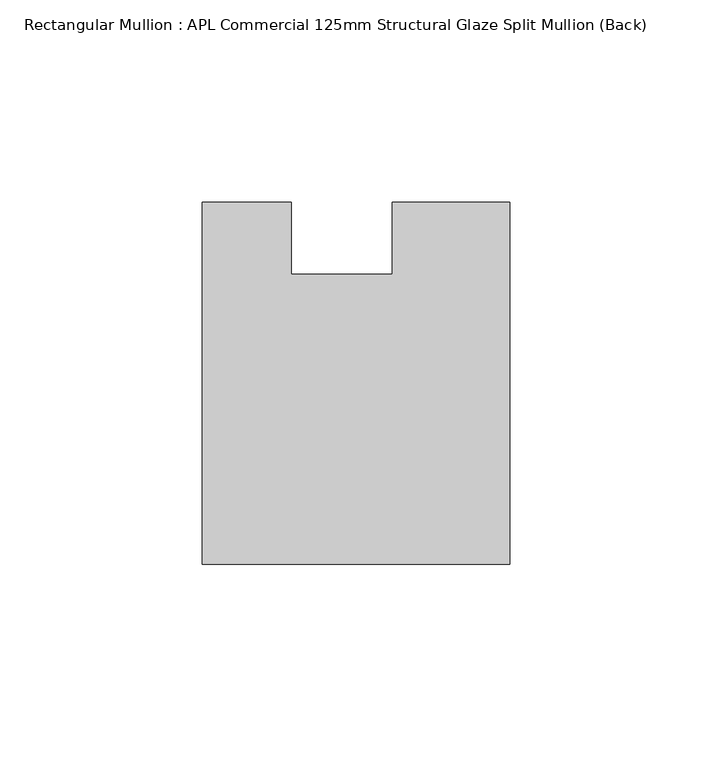
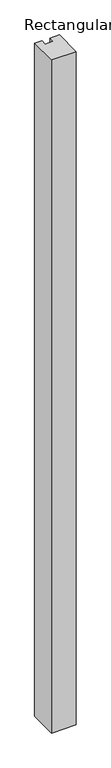
"""IFC4 building model written with IfcOpenShell, lengths in millimetres: member geometry, Rectangular Mullion : APL Commercial 125mm Structural Glaze Split Mullion (Back)."""

from ifc_helpers import new_model, si_unit, frame, origin, place, context, project, spatial, polyline, outline, extrude, source, transform, mapped, element, save


def rectangular_mullion_apl_commercial_125mm_structural_glaze_8fb0a0cf(model_context):
    return source(origin(), model_context, "Body", "SweptSolid", [
        extrude(outline(polyline([(37.9999914, -104.4960123), (-37.9999896, -104.4960123), (-37.9999896, -14.9960123), (-16.0, -14.9960123), (-16.0, -32.7960123), (9.0, -32.7960123), (9.0, -14.9960123), (37.9999914, -14.9960123), (37.9999914, -104.4960123)])), frame((0.0, 0.0, -2200.0), z_axis=(0.0, 0.0, 1.0), x_axis=(1.0, 0.0, 0.0)), (0.0, 0.0, 1.0), 2200.0),
    ])


if __name__ == "__main__":
    model = new_model("IFC4")
    model_context = context("Model", 3, world=origin())
    ifc_project = project(units=[si_unit("LENGTHUNIT", "METRE", prefix="MILLI")], contexts=[model_context])
    site = spatial("IfcSite", under=ifc_project)
    building = spatial("IfcBuilding", under=site)
    placement = place(None, origin())
    rectangular_mullion_apl_commercial_125mm_structural_glaze_shape = rectangular_mullion_apl_commercial_125mm_structural_glaze_8fb0a0cf(model_context)
    element("IfcMember", 1, ObjectType="Rectangular Mullion : APL Commercial 125mm Structural Glaze Split Mullion (Back)", at=placement, inside=building, context=model_context, shape_type="MappedRepresentation", body=[
        mapped(rectangular_mullion_apl_commercial_125mm_structural_glaze_shape, transform((0.0, 0.0, 0.0), x_axis=(1.0, 0.0, 0.0), y_axis=(0.0, 1.0, 0.0), z_axis=(0.0, 0.0, 1.0))),
    ])
    save(model, "model.ifc")
